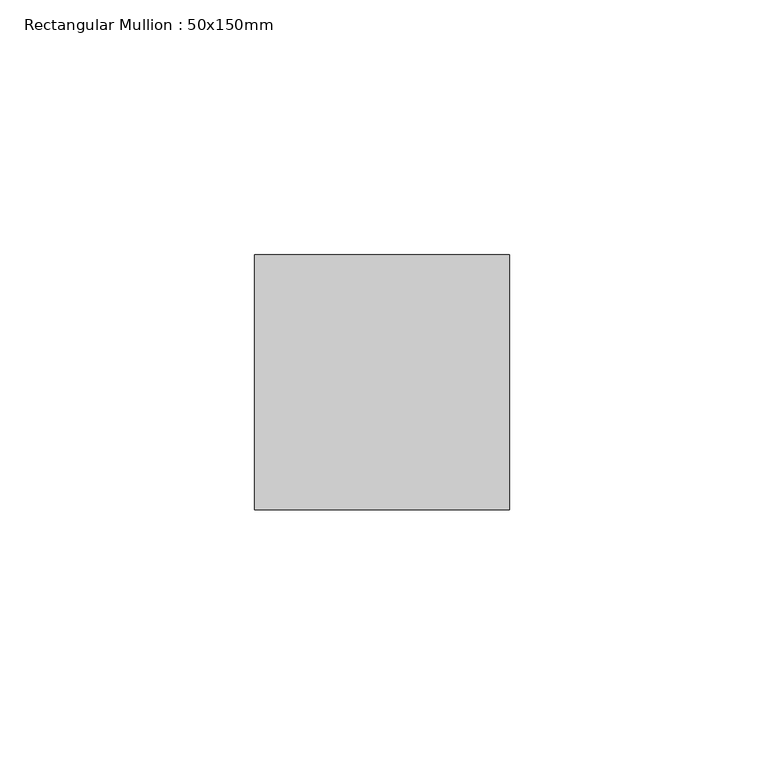
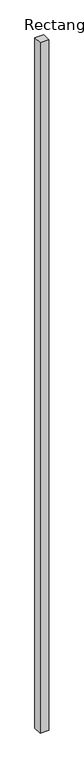
"""IFC4 building model written with IfcOpenShell, lengths in millimetres: member geometry, Rectangular Mullion : 50x150mm."""

import ifcopenshell
import ifcopenshell.guid

model = None  # the IFC model being written
_history = None  # IfcOwnerHistory: only IFC2X3 demands one
_inside = {}  # id of a spatial element -> (the spatial element, [elements in it])
_under = {}  # id of a project, library or spatial element -> (it, [spatial elements below it])
_declared = {}  # id of a project -> (the project, [libraries it declares])
_typed = {}  # id of a type object -> (the type object, [elements of that type])
_made_of = {}  # id of a material, layer set ... -> (it, [elements and type objects made of it])


def new_model(schema):
    """Start an empty IFC model of exactly this schema.

    Asked for "IFC4X3", IfcOpenShell would pick the latest addendum, in which some entities
    have other attributes; the version numbers below select the first issue.
    IFC2X3 requires an IfcOwnerHistory on every rooted entity: one is made here for all.
    """
    global model, _history
    if schema == "IFC4X3":
        model = ifcopenshell.file(schema_version=(4, 3, 0, 0))
    else:
        model = ifcopenshell.file(schema=schema)
    _inside.clear()
    _under.clear()
    _declared.clear()
    _typed.clear()
    _made_of.clear()
    _history = None
    if model.schema == "IFC2X3":
        org = make("IfcOrganization", Name="unknown")
        user = make(
            "IfcPersonAndOrganization",
            ThePerson=make("IfcPerson", FamilyName="unknown"),
            TheOrganization=org,
        )
        app = make(
            "IfcApplication",
            ApplicationDeveloper=org,
            Version="unknown",
            ApplicationFullName="unknown",
            ApplicationIdentifier="unknown",
        )
        _history = make(
            "IfcOwnerHistory",
            OwningUser=user,
            OwningApplication=app,
            ChangeAction="ADDED",
            CreationDate=0,
        )
    return model


def make(cls, **values):
    """One entity of the class cls with the attributes given. An attribute that is None is left unset."""
    return model.create_entity(
        cls, **{name: value for name, value in values.items() if value is not None}
    )


def rooted(cls, **values):
    """An entity with a GlobalId (a new one), such as an element, a storey or a relation."""
    return make(cls, GlobalId=ifcopenshell.guid.new(), OwnerHistory=_history, **values)


def si_unit(unit_type, name, prefix=None):
    """IfcSIUnit, for example si_unit("LENGTHUNIT", "METRE", prefix="MILLI")."""
    return make("IfcSIUnit", UnitType=unit_type, Prefix=prefix, Name=name)


def assignment(units):
    """IfcUnitAssignment: the units of a project."""
    return None if units is None else make("IfcUnitAssignment", Units=units)


def point(xyz):
    """IfcCartesianPoint."""
    return None if xyz is None else make("IfcCartesianPoint", Coordinates=xyz)


def direction(xyz):
    """IfcDirection."""
    return None if xyz is None else make("IfcDirection", DirectionRatios=xyz)


def frame(location, z_axis=None, x_axis=None):
    """IfcAxis2Placement3D, a coordinate frame: its origin and axes. An axis left out is left unset."""
    return make(
        "IfcAxis2Placement3D",
        Location=point(location),
        Axis=direction(z_axis),
        RefDirection=direction(x_axis),
    )


def origin():
    """The frame at (0, 0, 0) with its axes left unset."""
    return frame((0.0, 0.0, 0.0))


def place(relative_to, where):
    """IfcLocalPlacement: puts the frame where relative to a parent placement (None: the world)."""
    return make(
        "IfcLocalPlacement", PlacementRelTo=relative_to, RelativePlacement=where
    )


def context(
    kind, dimensions, precision=None, world=None, true_north=None, identifier=None
):
    """IfcGeometricRepresentationContext, for example the 3D "Model" context."""
    return make(
        "IfcGeometricRepresentationContext",
        ContextIdentifier=identifier,
        ContextType=kind,
        CoordinateSpaceDimension=dimensions,
        Precision=precision,
        WorldCoordinateSystem=world,
        TrueNorth=true_north,
    )


def project(units=None, contexts=None):
    """IfcProject with its units and contexts."""
    return rooted(
        "IfcProject",
        Name="project",
        RepresentationContexts=contexts,
        UnitsInContext=assignment(units),
    )


def spatial(cls, under=None, at=None, **own):
    """A site, building, storey or space (cls), placed at a placement, below another one or the project."""
    s = rooted(cls, ObjectPlacement=at, **own)
    if under is not None:
        _under.setdefault(under.id(), (under, []))[1].append(s)
    return s


def polyline(points):
    """IfcPolyline through the points."""
    return make("IfcPolyline", Points=[point(p) for p in points])


def outline(outer, holes=None, kind="AREA"):
    """IfcArbitraryClosedProfileDef: a profile drawn as a closed curve; with holes, ...WithVoids."""
    if holes is None:
        return make("IfcArbitraryClosedProfileDef", ProfileType=kind, OuterCurve=outer)
    return make(
        "IfcArbitraryProfileDefWithVoids",
        ProfileType=kind,
        OuterCurve=outer,
        InnerCurves=holes,
    )


def extrude(swept, where, along, depth):
    """IfcExtrudedAreaSolid: the profile swept, set in the frame where, extruded along a direction by depth."""
    return make(
        "IfcExtrudedAreaSolid",
        SweptArea=swept,
        Position=where,
        ExtrudedDirection=direction(along),
        Depth=depth,
    )


def shape(context_of_items, identifier, shape_type, items):
    """IfcShapeRepresentation: the items that make up one representation, for example the "Body"."""
    return make(
        "IfcShapeRepresentation",
        ContextOfItems=context_of_items,
        RepresentationIdentifier=identifier,
        RepresentationType=shape_type,
        Items=items,
    )


def source(mapping_origin, context_of_items, identifier, shape_type, items):
    """IfcRepresentationMap: a shape defined once, which mapped items show again and again."""
    return make(
        "IfcRepresentationMap",
        MappingOrigin=mapping_origin,
        MappedRepresentation=shape(context_of_items, identifier, shape_type, items),
    )


def transform(
    local_origin,
    x_axis=None,
    y_axis=None,
    z_axis=None,
    scale=None,
    scale2=None,
    scale3=None,
    uniform=True,
):
    """IfcCartesianTransformationOperator3D, or its non-uniform kind. x_axis, y_axis, z_axis: its Axis1, 2, 3."""
    if uniform:
        return make(
            "IfcCartesianTransformationOperator3D",
            Axis1=direction(x_axis),
            Axis2=direction(y_axis),
            LocalOrigin=point(local_origin),
            Scale=scale,
            Axis3=direction(z_axis),
        )
    return make(
        "IfcCartesianTransformationOperator3DnonUniform",
        Axis1=direction(x_axis),
        Axis2=direction(y_axis),
        LocalOrigin=point(local_origin),
        Scale=scale,
        Axis3=direction(z_axis),
        Scale2=scale2,
        Scale3=scale3,
    )


def mapped(mapping_source, mapping_target):
    """IfcMappedItem: shows the shape of a source again, moved by a transform."""
    return make(
        "IfcMappedItem", MappingSource=mapping_source, MappingTarget=mapping_target
    )


def made_of(thing, what):
    """Note that an element or type object is made of a material, layer set ...; save() writes the relation."""
    if what is not None:
        _made_of.setdefault(what.id(), (what, []))[1].append(thing)
    return thing


def element(
    cls,
    number,
    at=None,
    inside=None,
    cuts=None,
    type_object=None,
    material=None,
    context=None,
    identifier="Body",
    shape_type=None,
    held_by="IfcProductDefinitionShape",
    body=None,
    shapes=None,
    **own,
):
    """One element of the class cls, such as IfcWall. Its Tag is "e" and its number.

    at: its placement. inside: the storey or other place that contains it. cuts: it is an
    opening in that element (IfcRelVoidsElement). A single representation is given by context,
    identifier, shape_type and body (its items); several are given by shapes. held_by: the class
    of the entity that holds the representations. save() writes the other relations.
    """
    e = rooted(cls, Tag="e%d" % number, ObjectPlacement=at, **own)
    if body is not None:
        shapes = [shape(context, identifier, shape_type, body)]
    if shapes is not None:
        e.Representation = make(held_by, Representations=shapes)
    if inside is not None:
        _inside.setdefault(inside.id(), (inside, []))[1].append(e)
    if cuts is not None:
        rooted(
            "IfcRelVoidsElement", RelatingBuildingElement=cuts, RelatedOpeningElement=e
        )
    if type_object is not None:
        _typed.setdefault(type_object.id(), (type_object, []))[1].append(e)
    return made_of(e, material)


def aggregate(whole, parts):
    """IfcRelAggregates: a whole, such as a stair, and the parts it consists of."""
    return rooted("IfcRelAggregates", RelatingObject=whole, RelatedObjects=parts)


def save(model, path):
    """Write the relations noted so far, then the file.

    IfcRelAggregates (storeys below a building ...), IfcRelContainedInSpatialStructure (elements
    in a storey), IfcRelDefinesByType, IfcRelAssociatesMaterial and IfcRelDeclares: one each for
    every whole, place, type object, material and project.
    """
    for whole, parts in _under.values():
        aggregate(whole, parts)
    for where, things in _inside.values():
        rooted(
            "IfcRelContainedInSpatialStructure",
            RelatedElements=things,
            RelatingStructure=where,
        )
    for kind, things in _typed.values():
        rooted("IfcRelDefinesByType", RelatedObjects=things, RelatingType=kind)
    for what, things in _made_of.values():
        rooted("IfcRelAssociatesMaterial", RelatedObjects=things, RelatingMaterial=what)
    for by, libraries in _declared.values():
        rooted("IfcRelDeclares", RelatingContext=by, RelatedDefinitions=libraries)
    model.write(path)


def rectangular_mullion_50x150mm_0e637ff5(model_context):
    return source(origin(), model_context, "Body", "SweptSolid", [
        extrude(outline(polyline([(0.0, 25.0), (0.0, -25.0), (-50.0, -25.0), (-50.0, 25.0), (0.0, 25.0)])), frame((0.0, 0.0, -4120.0), z_axis=(0.0, 0.0, 1.0), x_axis=(1.0, 0.0, 0.0)), (0.0, 0.0, 1.0), 4120.0),
    ])


if __name__ == "__main__":
    model = new_model("IFC4")
    model_context = context("Model", 3, world=origin())
    ifc_project = project(units=[si_unit("LENGTHUNIT", "METRE", prefix="MILLI")], contexts=[model_context])
    site = spatial("IfcSite", under=ifc_project)
    building = spatial("IfcBuilding", under=site)
    placement = place(None, origin())
    rectangular_mullion_50x150mm_shape = rectangular_mullion_50x150mm_0e637ff5(model_context)
    element("IfcMember", 1, ObjectType="Rectangular Mullion : 50x150mm", at=placement, inside=building, context=model_context, shape_type="MappedRepresentation", body=[
        mapped(rectangular_mullion_50x150mm_shape, transform((0.0, 0.0, 0.0), x_axis=(1.0, 0.0, 0.0), y_axis=(0.0, 1.0, 0.0), z_axis=(0.0, 0.0, 1.0))),
    ])
    save(model, "model.ifc")
